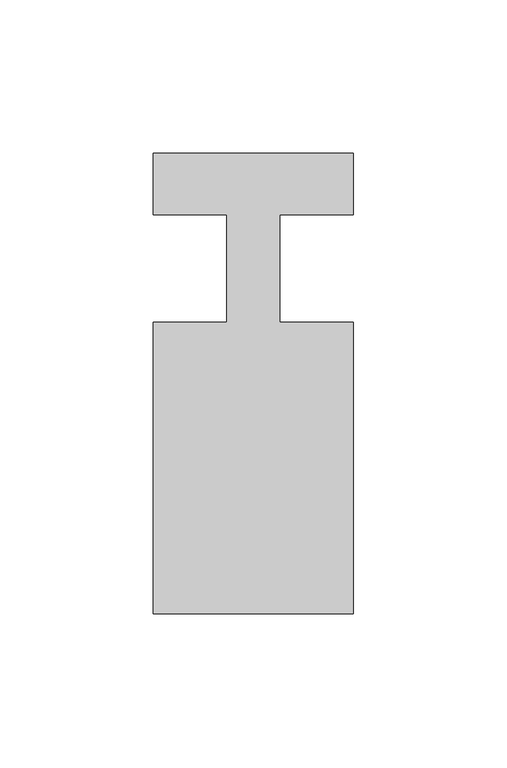
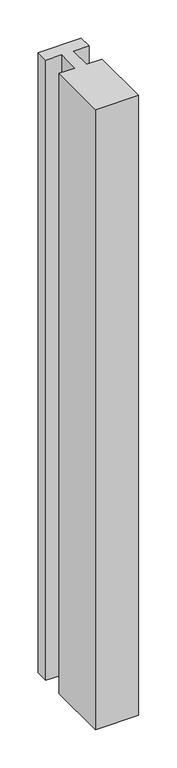
"""IFC4 building model written with IfcOpenShell, lengths in millimetres: member geometry."""

from ifc_helpers import new_model, si_unit, frame, origin, place, context, project, spatial, polyline, outline, extrude, source, transform, mapped, element, save


def member_a31af9f8(model_context):
    return source(origin(), model_context, "Body", "SweptSolid", [
        extrude(outline(polyline([(-65.0, 37.0), (0.0, 37.0), (0.0, 17.0), (-23.8125, 17.0), (-23.8125, -18.0), (0.0, -18.0), (0.0, -113.0), (-65.0, -113.0), (-65.0, -18.0), (-41.1875, -18.0), (-41.1875, 17.0), (-65.0, 17.0), (-65.0, 37.0)])), frame((0.0, 0.0, -988.3333333), z_axis=(0.0, 0.0, 1.0), x_axis=(1.0, 0.0, 0.0)), (0.0, 0.0, 1.0), 988.3333333),
    ])


if __name__ == "__main__":
    model = new_model("IFC4")
    model_context = context("Model", 3, world=origin())
    ifc_project = project(units=[si_unit("LENGTHUNIT", "METRE", prefix="MILLI")], contexts=[model_context])
    site = spatial("IfcSite", under=ifc_project)
    building = spatial("IfcBuilding", under=site)
    placement = place(None, origin())
    member_shape = member_a31af9f8(model_context)
    element("IfcMember", 1, at=placement, inside=building, context=model_context, shape_type="MappedRepresentation", body=[
        mapped(member_shape, transform((0.0, 0.0, 0.0), x_axis=(1.0, 0.0, 0.0), y_axis=(0.0, 1.0, 0.0), z_axis=(0.0, 0.0, 1.0))),
    ])
    save(model, "model.ifc")
